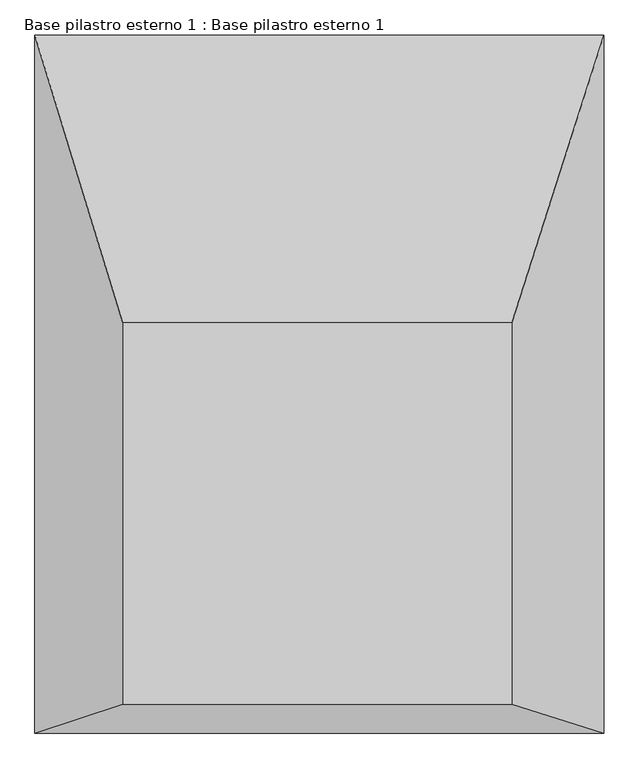
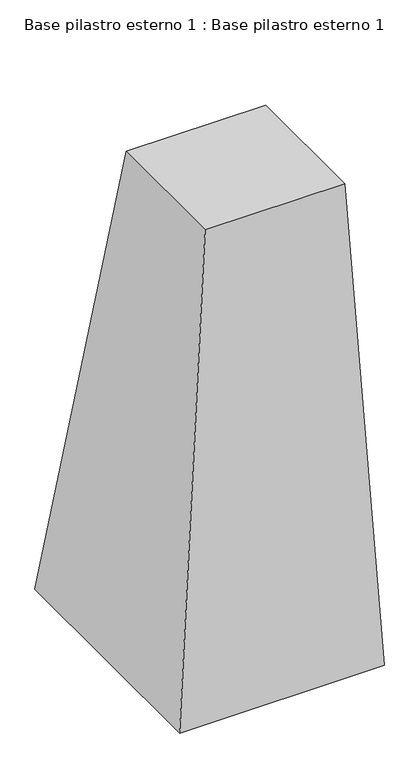
"""IFC4 building model written with IfcOpenShell, lengths in millimetres: column geometry, Base pilastro esterno 1 : Base pilastro esterno 1."""

from ifc_helpers import new_model, si_unit, origin, place, context, project, spatial, faceted_brep, source, transform, mapped, element, save


def base_pilastro_esterno_1_base_pilastro_esterno_1_f69ab52b(model_context):
    return source(origin(), model_context, "Body", "Brep", [
        faceted_brep([(-67129.7708472, 123740.035984, -277.4358654), (-66526.7756414, 123740.035984, -277.4358654), (-66526.7756414, 124330.2918544, -277.4358654), (-67129.7708472, 124330.2918544, -277.4358654), (-67265.6570907, 123695.5650876, -2496.9800423), (-67265.6570907, 124776.1685911, -2496.9800423), (-66383.8084506, 124776.1685911, -2496.9800423), (-66383.8084506, 123695.5650876, -2496.9800423)], [[[0, 1, 2, 3]], [[4, 5, 6, 7]], [[4, 7, 1, 0]], [[7, 6, 2, 1]], [[6, 5, 3, 2]], [[5, 4, 0, 3]]]),
    ])


if __name__ == "__main__":
    model = new_model("IFC4")
    model_context = context("Model", 3, world=origin())
    ifc_project = project(units=[si_unit("LENGTHUNIT", "METRE", prefix="MILLI")], contexts=[model_context])
    site = spatial("IfcSite", under=ifc_project)
    building = spatial("IfcBuilding", under=site)
    placement = place(None, origin())
    base_pilastro_esterno_1_base_pilastro_esterno_1_shape = base_pilastro_esterno_1_base_pilastro_esterno_1_f69ab52b(model_context)
    element("IfcColumn", 1, ObjectType="Base pilastro esterno 1 : Base pilastro esterno 1", at=placement, inside=building, context=model_context, shape_type="MappedRepresentation", body=[
        mapped(base_pilastro_esterno_1_base_pilastro_esterno_1_shape, transform((0.0, 0.0, 0.0), x_axis=(1.0, 0.0, 0.0), y_axis=(0.0, 1.0, 0.0), z_axis=(0.0, 0.0, 1.0))),
    ])
    save(model, "model.ifc")
